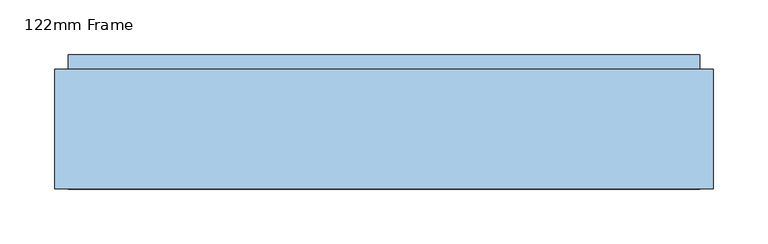
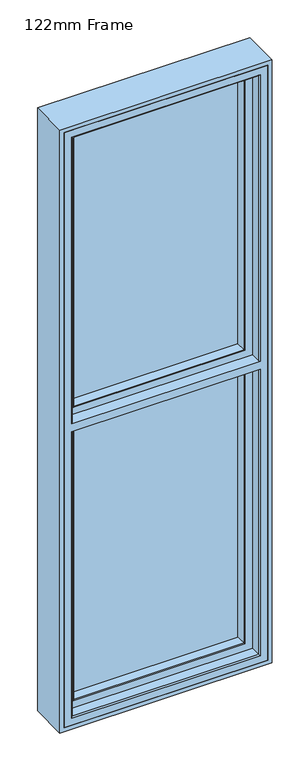
"""IFC4 building model written with IfcOpenShell, lengths in millimetres: window geometry, 122mm Frame."""

from ifc_helpers import new_model, si_unit, frame, origin, place, context, project, spatial, polyline, circle_curve, ellipse_curve, outline, extrude, source, transform, mapped, element, save
from ifc_brep_helpers import plane_surface, cylinder_surface, advanced_brep


def window_122mm_frame_768f517a(model_context):
    return source(origin(), model_context, "Body", "SolidModel", [
        extrude(outline(polyline([(-252.6, 141.0), (252.6, 141.0), (252.6, 93.0), (-252.6, 93.0), (-252.6, 141.0)])), frame((0.0, 0.0, 847.4), z_axis=(0.0, 0.0, 1.0), x_axis=(1.0, 0.0, 0.0)), (0.0, 0.0, 1.0), 828.6),
        advanced_brep(
        [(-237.8697056, 91.0, 1662.2697056), (-240.9078547, 66.2562613, 1665.3078547), (-240.9078547, 66.2562613, 859.0921453), (-237.8697056, 91.0, 862.1302944), (-242.892947, 64.5, 1667.292947), (-242.892947, 64.5, 857.107053), (240.9078547, 66.2562613, 859.0921453), (237.8697056, 91.0, 862.1302944), (-261.5, 91.0, 1685.9), (261.5, 91.0, 1685.9), (261.5, 91.0, 838.5), (-261.5, 91.0, 838.5), (237.8697056, 91.0, 1662.2697056), (-261.5, 82.0, 1685.9), (-261.5, 82.0, 838.5), (261.5, 82.0, 838.5), (-264.0, 82.0, 1688.4), (264.0, 82.0, 1688.4), (264.0, 82.0, 836.0), (-264.0, 82.0, 836.0), (261.5, 82.0, 1685.9), (-264.0, 64.5, 1688.4), (-264.0, 64.5, 836.0), (264.0, 64.5, 836.0), (264.0, 64.5, 1688.4), (242.892947, 64.5, 1667.292947), (242.892947, 64.5, 857.107053), (240.9078547, 66.2562613, 1665.3078547)],
        [
            (0, 1),
            (1, 2),
            (2, 3),
            (3, 0),
            (1, 4, ellipse_curve(frame((-242.892947, 66.5, 1667.292947), z_axis=(-0.7071067811865475, 0.0, -0.7071067811865475), x_axis=(-0.7071067811865474, 0.0, 0.7071067811865476)), 2.8284271, 2.0)),
            (4, 5),
            (5, 2, ellipse_curve(frame((-242.892947, 66.5, 857.107053), z_axis=(-0.7071067811865475, 0.0, 0.7071067811865475), x_axis=(0.7071067811865474, 0.0, 0.7071067811865476)), 2.8284271, 2.0)),
            (2, 6),
            (6, 7),
            (7, 3),
            (8, 9),
            (9, 10),
            (10, 11),
            (11, 8),
            (7, 12),
            (12, 0),
            (13, 8),
            (11, 14),
            (14, 13),
            (10, 15),
            (15, 14),
            (16, 17),
            (17, 18),
            (18, 19),
            (19, 16),
            (15, 20),
            (20, 13),
            (21, 16),
            (19, 22),
            (22, 21),
            (18, 23),
            (23, 22),
            (23, 24),
            (24, 21),
            (4, 25),
            (25, 26),
            (26, 5),
            (26, 6, ellipse_curve(frame((242.892947, 66.5, 857.107053), z_axis=(-0.7071067811865475, 0.0, -0.7071067811865475), x_axis=(-0.7071067811865476, 0.0, 0.7071067811865474)), 2.8284271, 2.0)),
            (6, 27),
            (27, 12),
            (9, 20),
            (17, 24),
            (25, 27, ellipse_curve(frame((242.892947, 66.5, 1667.292947), z_axis=(0.7071067811865475, 0.0, -0.7071067811865475), x_axis=(-0.7071067811865474, 0.0, -0.7071067811865476)), 2.8284271, 2.0)),
            (27, 1),
        ],
        [
            plane_surface(frame((-240.9078547, 66.2562613, 1665.3078547), z_axis=(0.9925461516413219, -0.12186934340514886, 0.0), x_axis=(0.0, 0.0, -1.0))),
            cylinder_surface(frame((-242.892947, 66.5, 1662.0), z_axis=(0.0, 0.0, 1.0), x_axis=(0.0, 1.0, 0.0)), 2.0),
            plane_surface(frame((-240.9078547, 66.2562613, 859.0921453), z_axis=(0.0, -0.12186934340514886, 0.9925461516413219), x_axis=(1.0, 0.0, 0.0))),
            plane_surface(frame((237.8697056, 91.0, 1662.2697056), z_axis=(0.0, 1.0, 0.0), x_axis=(-1.0, 0.0, 0.0))),
            plane_surface(frame((-261.5, 91.0, 1685.9), z_axis=(-1.0, 0.0, 0.0), x_axis=(0.0, 0.0, -1.0))),
            plane_surface(frame((-261.5, 91.0, 838.5), z_axis=(0.0, 0.0, -1.0), x_axis=(1.0, 0.0, 0.0))),
            plane_surface(frame((261.5, 82.0, 1685.9), z_axis=(0.0, 1.0, 0.0), x_axis=(-1.0, 0.0, 0.0))),
            plane_surface(frame((-264.0, 82.0, 1688.4), z_axis=(-1.0, 0.0, 0.0), x_axis=(0.0, 0.0, -1.0))),
            plane_surface(frame((-264.0, 82.0, 836.0), z_axis=(0.0, 0.0, -1.0), x_axis=(1.0, 0.0, 0.0))),
            plane_surface(frame((264.0, 64.5, 1688.4), z_axis=(0.0, -1.0, 0.0), x_axis=(-1.0, 0.0, 0.0))),
            cylinder_surface(frame((-237.6, 66.5, 857.107053), z_axis=(-1.0, 0.0, 0.0), x_axis=(0.0, 1.0, 0.0)), 2.0),
            plane_surface(frame((240.9078547, 66.2562613, 859.0921453), z_axis=(-0.9925461516413219, -0.12186934340514886, 0.0), x_axis=(0.0, 0.0, 1.0))),
            plane_surface(frame((261.5, 91.0, 838.5), z_axis=(1.0, 0.0, 0.0), x_axis=(0.0, 0.0, 1.0))),
            plane_surface(frame((264.0, 82.0, 836.0), z_axis=(1.0, 0.0, 0.0), x_axis=(0.0, 0.0, 1.0))),
            cylinder_surface(frame((242.892947, 66.5, 862.4), z_axis=(0.0, 0.0, -1.0), x_axis=(0.0, 1.0, 0.0)), 2.0),
            plane_surface(frame((240.9078547, 66.2562613, 1665.3078547), z_axis=(0.0, -0.12186934340514886, -0.9925461516413219), x_axis=(-1.0, 0.0, 0.0))),
            plane_surface(frame((261.5, 91.0, 1685.9), z_axis=(0.0, 0.0, 1.0), x_axis=(-1.0, 0.0, 0.0))),
            plane_surface(frame((264.0, 82.0, 1688.4), z_axis=(0.0, 0.0, 1.0), x_axis=(-1.0, 0.0, 0.0))),
            cylinder_surface(frame((237.6, 66.5, 1667.292947), z_axis=(1.0, 0.0, 0.0), x_axis=(0.0, 1.0, 0.0)), 2.0),
        ],
        [
            (0, [[1, 2, 3, 4]]),
            (1, [[5, 6, 7, -2]]),
            (2, [[-3, 8, 9, 10]]),
            (3, [[11, 12, 13, 14], [-10, 15, 16, -4]]),
            (4, [[17, -14, 18, 19]]),
            (5, [[-18, -13, 20, 21]]),
            (6, [[22, 23, 24, 25], [-21, 26, 27, -19]]),
            (7, [[28, -25, 29, 30]]),
            (8, [[-29, -24, 31, 32]]),
            (9, [[-32, 33, 34, -30], [35, 36, 37, -6]]),
            (10, [[-7, -37, 38, -8]]),
            (11, [[-9, 39, 40, -15]]),
            (12, [[-20, -12, 41, -26]]),
            (13, [[-31, -23, 42, -33]]),
            (14, [[-38, -36, 43, -39]]),
            (15, [[-40, 44, -1, -16]]),
            (16, [[-41, -11, -17, -27]]),
            (17, [[-42, -22, -28, -34]]),
            (18, [[-43, -35, -5, -44]]),
        ],
    ),
        advanced_brep(
        [(-288.0, 32.0, 2588.0), (-288.0, 86.5, 2588.0), (-288.0, 86.5, 1712.0), (-288.0, 90.5, 1712.0), (-288.0, 90.5, 2588.0), (-288.0, 154.0, 2588.0), (-288.0, 154.0, 812.0), (-288.0, 90.5, 812.0), (-288.0, 90.5, 1688.0), (-288.0, 86.5, 1688.0), (-288.0, 86.5, 812.0), (-288.0, 32.0, 812.0), (288.0, 154.0, 2588.0), (288.0, 154.0, 812.0), (241.2576108, 154.0, 1665.2576108), (-241.2576108, 154.0, 1665.2576108), (-241.2576108, 154.0, 858.7423892), (241.2576108, 154.0, 858.7423892), (-241.2576108, 154.0, 1734.7423892), (241.2576108, 154.0, 1734.7423892), (241.2576108, 154.0, 2541.2576108), (-241.2576108, 154.0, 2541.2576108), (288.0, 90.5, 812.0), (288.0, 90.5, 1688.0), (281.0, 90.5, 1688.0), (281.0, 90.5, 819.0), (-281.0, 90.5, 819.0), (-281.0, 90.5, 1688.0), (288.0, 90.5, 2588.0), (-281.0, 90.5, 1712.0), (-281.0, 90.5, 2581.0), (281.0, 90.5, 2581.0), (281.0, 90.5, 1712.0), (288.0, 90.5, 1712.0), (-281.0, 86.5, 819.0), (281.0, 86.5, 819.0), (281.0, 86.5, 1688.0), (288.0, 86.5, 1688.0), (288.0, 86.5, 812.0), (-281.0, 86.5, 1688.0), (281.0, 86.5, 2581.0), (-281.0, 86.5, 2581.0), (-281.0, 86.5, 1712.0), (288.0, 86.5, 2588.0), (288.0, 86.5, 1712.0), (281.0, 86.5, 1712.0), (288.0, 32.0, 812.0), (288.0, 32.0, 2588.0), (-267.0, 32.0, 1688.0), (267.0, 32.0, 1688.0), (267.0, 32.0, 833.0), (-267.0, 32.0, 833.0), (267.0, 32.0, 1712.0), (-267.0, 32.0, 1712.0), (-267.0, 32.0, 2567.0), (267.0, 32.0, 2567.0), (-262.2226568, 142.0, 837.7773432), (262.2226568, 142.0, 837.7773432), (262.2226568, 142.0, 1686.0620126), (-262.2226568, 142.0, 1686.0620126), (-238.0131086, 142.0, 1661.5888426), (238.0131086, 142.0, 1661.5888426), (238.0131086, 142.0, 861.9868914), (-238.0131086, 142.0, 861.9868914), (262.2226568, 142.0, 2562.2226568), (-262.2226568, 142.0, 2562.2226568), (-262.2226568, 142.0, 1713.9379874), (262.2226568, 142.0, 1713.9379874), (-238.0131086, 142.0, 2538.0131086), (238.0131086, 142.0, 2538.0131086), (238.0131086, 142.0, 1738.4111574), (-238.0131086, 142.0, 1738.4111574), (-255.7805994, 91.0, 844.2194006), (255.7805994, 91.0, 844.2194006), (255.7805994, 91.0, 1679.8), (255.7805994, 91.0, 2555.7805994), (255.7805994, 91.0, 1720.2), (-255.7805994, 91.0, 1679.8), (-255.7805994, 91.0, 2555.7805994), (-255.7805994, 91.0, 1720.2), (238.0131086, 143.3877115, 861.9868914), (238.0131086, 143.3877115, 1662.0131086), (238.0131086, 143.3877115, 2538.0131086), (238.0131086, 143.3877115, 1737.9868914), (-238.0131086, 143.3877115, 861.9868914), (-238.0131086, 143.3877115, 1662.0131086), (-238.0131086, 143.3877115, 2538.0131086), (-238.0131086, 143.3877115, 1737.9868914), (-262.0, 91.0, 838.0), (262.0, 91.0, 838.0), (262.0, 91.0, 1688.0), (-262.0, 91.0, 1688.0), (262.0, 91.0, 2562.0), (-262.0, 91.0, 2562.0), (-262.0, 91.0, 1712.0), (262.0, 91.0, 1712.0), (-262.0, 83.0, 838.0), (262.0, 83.0, 838.0), (262.0, 83.0, 1688.0), (262.0, 83.0, 2562.0), (262.0, 83.0, 1712.0), (-262.0, 83.0, 1688.0), (-262.0, 83.0, 2562.0), (-262.0, 83.0, 1712.0), (264.0, 35.0, 836.0), (264.0, 35.0, 1688.0), (264.0, 35.0, 2564.0), (264.0, 35.0, 1712.0), (-264.0, 35.0, 836.0), (-264.0, 35.0, 1688.0), (-264.0, 35.0, 2564.0), (-264.0, 35.0, 1712.0), (-264.0, 83.0, 836.0), (-264.0, 83.0, 1688.0), (-264.0, 83.0, 2564.0), (-264.0, 83.0, 1712.0), (264.0, 83.0, 836.0), (264.0, 83.0, 1688.0), (264.0, 83.0, 2564.0), (264.0, 83.0, 1712.0)],
        [
            (0, 1),
            (1, 2),
            (2, 3),
            (3, 4),
            (4, 5),
            (5, 6),
            (6, 7),
            (7, 8),
            (8, 9),
            (9, 10),
            (10, 11),
            (11, 0),
            (5, 12),
            (12, 13),
            (13, 6),
            (14, 15),
            (15, 16),
            (16, 17),
            (17, 14),
            (18, 19),
            (19, 20),
            (20, 21),
            (21, 18),
            (13, 22),
            (22, 7),
            (22, 23),
            (23, 24),
            (24, 25),
            (25, 26),
            (26, 27),
            (27, 8),
            (28, 4),
            (3, 29),
            (29, 30),
            (30, 31),
            (31, 32),
            (32, 33),
            (33, 28),
            (34, 35),
            (35, 36),
            (36, 37),
            (37, 38),
            (38, 10),
            (9, 39),
            (39, 34),
            (40, 41),
            (41, 42),
            (42, 2),
            (1, 43),
            (43, 44),
            (44, 45),
            (45, 40),
            (46, 11),
            (38, 46),
            (46, 47),
            (47, 0),
            (48, 49),
            (49, 50),
            (50, 51),
            (51, 48),
            (52, 53),
            (53, 54),
            (54, 55),
            (55, 52),
            (12, 28),
            (33, 44),
            (43, 47),
            (37, 23),
            (56, 57),
            (57, 58),
            (58, 59),
            (59, 56),
            (60, 61),
            (61, 62),
            (62, 63),
            (63, 60),
            (64, 65),
            (65, 66),
            (66, 67),
            (67, 64),
            (68, 69),
            (69, 70),
            (70, 71),
            (71, 68),
            (56, 72),
            (72, 73),
            (73, 57),
            (73, 74),
            (74, 58),
            (75, 64),
            (67, 76),
            (76, 75),
            (59, 77),
            (77, 72),
            (65, 78),
            (78, 79),
            (79, 66),
            (80, 62),
            (61, 81),
            (81, 80),
            (69, 82),
            (82, 83),
            (83, 70),
            (84, 63),
            (80, 84),
            (84, 85),
            (85, 60),
            (86, 68),
            (71, 87),
            (87, 86),
            (88, 89),
            (89, 90),
            (90, 91),
            (91, 88),
            (77, 74),
            (92, 93),
            (93, 94),
            (94, 95),
            (95, 92),
            (76, 79),
            (78, 75),
            (88, 96),
            (96, 97),
            (97, 89),
            (97, 98),
            (98, 90),
            (99, 92),
            (95, 100),
            (100, 99),
            (91, 101),
            (101, 96),
            (93, 102),
            (102, 103),
            (103, 94),
            (104, 50, ellipse_curve(frame((267.0, 35.0, 833.0), z_axis=(0.7071067811865475, 0.0, 0.7071067811865475), x_axis=(0.7071067811865474, 0.0, -0.7071067811865476)), 4.2426407, 3.0)),
            (49, 105, circle_curve(frame((267.0, 35.0, 1688.0), z_axis=(0.0, 0.0, -1.0), x_axis=(0.0, 1.0, 0.0)), 3.0)),
            (105, 104),
            (55, 106, ellipse_curve(frame((267.0, 35.0, 2567.0), z_axis=(0.7071067811865475, 0.0, -0.7071067811865475), x_axis=(-0.7071067811865474, 0.0, -0.7071067811865476)), 4.2426407, 3.0)),
            (106, 107),
            (107, 52, circle_curve(frame((267.0, 35.0, 1712.0), z_axis=(0.0, 0.0, 1.0), x_axis=(0.0, 1.0, 0.0)), 3.0)),
            (104, 108),
            (108, 51, ellipse_curve(frame((-267.0, 35.0, 833.0), z_axis=(0.7071067811865475, 0.0, -0.7071067811865475), x_axis=(-0.7071067811865476, 0.0, -0.7071067811865474)), 4.2426407, 3.0)),
            (108, 109),
            (109, 48, circle_curve(frame((-267.0, 35.0, 1688.0), z_axis=(0.0, 0.0, -1.0), x_axis=(0.0, 1.0, 0.0)), 3.0)),
            (110, 54, ellipse_curve(frame((-267.0, 35.0, 2567.0), z_axis=(-0.7071067811865475, 0.0, -0.7071067811865475), x_axis=(-0.7071067811865474, 0.0, 0.7071067811865476)), 4.2426407, 3.0)),
            (53, 111, circle_curve(frame((-267.0, 35.0, 1712.0), z_axis=(0.0, 0.0, 1.0), x_axis=(0.0, 1.0, 0.0)), 3.0)),
            (111, 110),
            (84, 16),
            (15, 85),
            (21, 86),
            (87, 18),
            (80, 17),
            (81, 14),
            (82, 20),
            (19, 83),
            (108, 112),
            (112, 113),
            (113, 109),
            (114, 110),
            (111, 115),
            (115, 114),
            (104, 116),
            (116, 112),
            (116, 117),
            (117, 98),
            (101, 113),
            (118, 114),
            (115, 103),
            (102, 99),
            (100, 119),
            (119, 118),
            (105, 117),
            (106, 118),
            (119, 107),
            (26, 34),
            (39, 27),
            (41, 30),
            (29, 42),
            (25, 35),
            (24, 36),
            (31, 40),
            (45, 32),
            (86, 82),
            (110, 106),
        ],
        [
            plane_surface(frame((-288.0, 154.0, 1665.2576108), z_axis=(-1.0, 0.0, 0.0), x_axis=(0.0, -0.9563047559631892, -0.292371704722234))),
            plane_surface(frame((-288.0, 154.0, 1734.7423892), z_axis=(0.0, 1.0, 0.0), x_axis=(1.0, 0.0, 0.0))),
            plane_surface(frame((-288.0, 154.0, 812.0), z_axis=(0.0, 0.0, -1.0), x_axis=(1.0, 0.0, 0.0))),
            plane_surface(frame((288.0, 90.5, 2588.0), z_axis=(0.0, -1.0, 0.0), x_axis=(-1.0, 0.0, 0.0))),
            plane_surface(frame((281.0, 86.5, 2581.0), z_axis=(0.0, 1.0, 0.0), x_axis=(-1.0, 0.0, 0.0))),
            plane_surface(frame((-288.0, 86.5, 812.0), z_axis=(0.0, 0.0, -1.0), x_axis=(1.0, 0.0, 0.0))),
            plane_surface(frame((-288.0, 32.0, 1688.0), z_axis=(0.0, -1.0, 0.0), x_axis=(1.0, 0.0, 0.0))),
            plane_surface(frame((288.0, 154.0, 1665.2576108), z_axis=(1.0, 0.0, 0.0), x_axis=(0.0, 0.9563047559631892, 0.292371704722234))),
            plane_surface(frame((-288.0, 142.0, 1661.5888426), z_axis=(0.0, -1.0, 0.0), x_axis=(1.0, 0.0, 0.0))),
            plane_surface(frame((-255.7805994, 91.0, 844.2194006), z_axis=(0.0, 0.12531904619186096, 0.9921164934933611), x_axis=(1.0, 0.0, 0.0))),
            plane_surface(frame((255.7805994, 91.0, 844.2194006), z_axis=(-0.9921164934933611, 0.12531904619186096, 0.0), x_axis=(0.0, 0.0, 1.0))),
            plane_surface(frame((-255.7805994, 91.0, 2555.7805994), z_axis=(0.9921164934933611, 0.12531904619186096, 0.0), x_axis=(0.0, 0.0, -1.0))),
            plane_surface(frame((238.0131086, 142.0, 861.9868914), z_axis=(-1.0, 0.0, 0.0), x_axis=(0.0, 0.0, 1.0))),
            plane_surface(frame((-238.0131086, 142.0, 861.9868914), z_axis=(0.0, 0.0, 1.0), x_axis=(1.0, 0.0, 0.0))),
            plane_surface(frame((-238.0131086, 142.0, 2538.0131086), z_axis=(1.0, 0.0, 0.0), x_axis=(0.0, 0.0, -1.0))),
            plane_surface(frame((-288.0, 91.0, 1679.8), z_axis=(0.0, -1.0, 0.0), x_axis=(1.0, 0.0, 0.0))),
            plane_surface(frame((-262.0, 83.0, 838.0), z_axis=(0.0, 0.0, 1.0), x_axis=(1.0, 0.0, 0.0))),
            plane_surface(frame((262.0, 83.0, 838.0), z_axis=(-1.0, 0.0, 0.0), x_axis=(0.0, 0.0, 1.0))),
            plane_surface(frame((-262.0, 83.0, 2562.0), z_axis=(1.0, 0.0, 0.0), x_axis=(0.0, 0.0, -1.0))),
            cylinder_surface(frame((267.0, 35.0, 812.0), z_axis=(0.0, 0.0, -1.0), x_axis=(0.0, 1.0, 0.0)), 3.0),
            cylinder_surface(frame((-288.0, 35.0, 833.0), z_axis=(-1.0, 0.0, 0.0), x_axis=(0.0, 1.0, 0.0)), 3.0),
            cylinder_surface(frame((-267.0, 35.0, 2588.0), z_axis=(0.0, 0.0, 1.0), x_axis=(0.0, 1.0, 0.0)), 3.0),
            plane_surface(frame((-238.0131086, 143.3877115, 2538.0131086), z_axis=(0.9563047559629333, 0.2923717047230709, 0.0), x_axis=(0.0, 0.0, -1.0))),
            plane_surface(frame((-238.0131086, 143.3877115, 861.9868914), z_axis=(0.0, 0.2923717047230709, 0.9563047559629333), x_axis=(1.0, 0.0, 0.0))),
            plane_surface(frame((238.0131086, 143.3877115, 861.9868914), z_axis=(-0.9563047559629333, 0.2923717047230709, 0.0), x_axis=(0.0, 0.0, 1.0))),
            plane_surface(frame((-264.0, 35.0, 2564.0), z_axis=(1.0, 0.0, 0.0), x_axis=(0.0, 0.0, -1.0))),
            plane_surface(frame((-264.0, 35.0, 836.0), z_axis=(0.0, 0.0, 1.0), x_axis=(1.0, 0.0, 0.0))),
            plane_surface(frame((264.0, 83.0, 2564.0), z_axis=(0.0, -1.0, 0.0), x_axis=(-1.0, 0.0, 0.0))),
            plane_surface(frame((264.0, 35.0, 836.0), z_axis=(-1.0, 0.0, 0.0), x_axis=(0.0, 0.0, 1.0))),
            plane_surface(frame((-281.0, 90.5, 2581.0), z_axis=(-1.0, 0.0, 0.0), x_axis=(0.0, 0.0, -1.0))),
            plane_surface(frame((-281.0, 90.5, 819.0), z_axis=(0.0, 0.0, -1.0), x_axis=(1.0, 0.0, 0.0))),
            plane_surface(frame((281.0, 90.5, 819.0), z_axis=(1.0, 0.0, 0.0), x_axis=(0.0, 0.0, 1.0))),
            plane_surface(frame((288.0, 86.5, 2588.0), z_axis=(0.0, 0.0, 1.0), x_axis=(-1.0, 0.0, 0.0))),
            plane_surface(frame((288.0, 154.0, 2588.0), z_axis=(0.0, 0.0, 1.0), x_axis=(-1.0, 0.0, 0.0))),
            plane_surface(frame((238.0131086, 142.0, 2538.0131086), z_axis=(0.0, 0.0, -1.0), x_axis=(-1.0, 0.0, 0.0))),
            plane_surface(frame((255.7805994, 91.0, 2555.7805994), z_axis=(0.0, 0.12531904619186096, -0.9921164934933611), x_axis=(-1.0, 0.0, 0.0))),
            plane_surface(frame((262.0, 83.0, 2562.0), z_axis=(0.0, 0.0, -1.0), x_axis=(-1.0, 0.0, 0.0))),
            cylinder_surface(frame((288.0, 35.0, 2567.0), z_axis=(1.0, 0.0, 0.0), x_axis=(0.0, 1.0, 0.0)), 3.0),
            plane_surface(frame((238.0131086, 143.3877115, 2538.0131086), z_axis=(0.0, 0.2923717047230709, -0.9563047559629333), x_axis=(-1.0, 0.0, 0.0))),
            plane_surface(frame((264.0, 35.0, 2564.0), z_axis=(0.0, 0.0, -1.0), x_axis=(-1.0, 0.0, 0.0))),
            plane_surface(frame((281.0, 90.5, 2581.0), z_axis=(0.0, 0.0, 1.0), x_axis=(-1.0, 0.0, 0.0))),
            plane_surface(frame((-288.0, 154.0, 1665.2576108), z_axis=(0.0, 0.292371704722234, -0.9563047559631892), x_axis=(1.0, 0.0, 0.0))),
            plane_surface(frame((-288.0, 142.0, 1686.0620126), z_axis=(0.0, 0.12186934340522143, -0.992546151641313), x_axis=(1.0, 0.0, 0.0))),
            plane_surface(frame((-288.0, 91.0, 1688.0), z_axis=(0.0, 0.0, -1.0), x_axis=(1.0, 0.0, 0.0))),
            plane_surface(frame((-288.0, 32.0, 1712.0), z_axis=(0.0, 0.0, 1.0), x_axis=(1.0, 0.0, 0.0))),
            plane_surface(frame((-288.0, 91.0, 1720.2), z_axis=(0.0, 0.12186934340527229, 0.9925461516413068), x_axis=(1.0, 0.0, 0.0))),
            plane_surface(frame((-288.0, 142.0, 1738.4111574), z_axis=(0.0, 0.2923717047222423, 0.9563047559631866), x_axis=(1.0, 0.0, 0.0))),
        ],
        [
            (0, [[1, 2, 3, 4, 5, 6, 7, 8, 9, 10, 11, 12]]),
            (1, [[-6, 13, 14, 15], [16, 17, 18, 19], [20, 21, 22, 23]]),
            (2, [[-7, -15, 24, 25]]),
            (3, [[-25, 26, 27, 28, 29, 30, 31, -8]]),
            (3, [[32, -4, 33, 34, 35, 36, 37, 38]]),
            (4, [[39, 40, 41, 42, 43, -10, 44, 45]]),
            (4, [[46, 47, 48, -2, 49, 50, 51, 52]]),
            (5, [[53, -11, -43, 54]]),
            (6, [[-12, -53, 55, 56], [57, 58, 59, 60], [61, 62, 63, 64]]),
            (7, [[65, -38, 66, -50, 67, -55, -54, -42, 68, -26, -24, -14]]),
            (8, [[69, 70, 71, 72], [73, 74, 75, 76]]),
            (8, [[77, 78, 79, 80], [81, 82, 83, 84]]),
            (9, [[-69, 85, 86, 87]]),
            (10, [[-70, -87, 88, 89]]),
            (10, [[90, -80, 91, 92]]),
            (11, [[-85, -72, 93, 94]]),
            (11, [[-78, 95, 96, 97]]),
            (12, [[98, -74, 99, 100]]),
            (12, [[101, 102, 103, -82]]),
            (13, [[104, -75, -98, 105]]),
            (14, [[-104, 106, 107, -76]]),
            (14, [[108, -84, 109, 110]]),
            (15, [[111, 112, 113, 114], [115, -88, -86, -94]]),
            (15, [[116, 117, 118, 119], [-92, 120, -96, 121]]),
            (16, [[122, 123, 124, -111]]),
            (17, [[-112, -124, 125, 126]]),
            (17, [[127, -119, 128, 129]]),
            (18, [[-122, -114, 130, 131]]),
            (18, [[-117, 132, 133, 134]]),
            (19, [[135, -58, 136, 137]]),
            (19, [[138, 139, 140, -64]]),
            (20, [[141, 142, -59, -135]]),
            (21, [[-142, 143, 144, -60]]),
            (21, [[145, -62, 146, 147]]),
            (22, [[148, -17, 149, -106]]),
            (22, [[150, -110, 151, -23]]),
            (23, [[-148, -105, 152, -18]]),
            (24, [[-152, -100, 153, -19]]),
            (24, [[154, -21, 155, -102]]),
            (25, [[156, 157, 158, -143]]),
            (25, [[159, -147, 160, 161]]),
            (26, [[-156, -141, 162, 163]]),
            (27, [[-163, 164, 165, -125, -123, -131, 166, -157]]),
            (27, [[167, -161, 168, -133, 169, -129, 170, 171]]),
            (28, [[-162, -137, 172, -164]]),
            (28, [[173, -171, 174, -139]]),
            (29, [[175, -45, 176, -30]]),
            (29, [[177, -34, 178, -47]]),
            (30, [[-175, -29, 179, -39]]),
            (31, [[-179, -28, 180, -40]]),
            (31, [[181, -52, 182, -36]]),
            (32, [[-56, -67, -49, -1]]),
            (33, [[-5, -32, -65, -13]]),
            (34, [[-108, 183, -101, -81]]),
            (35, [[-77, -90, -121, -95]]),
            (36, [[-132, -116, -127, -169]]),
            (37, [[184, -138, -63, -145]]),
            (38, [[-150, -22, -154, -183]]),
            (39, [[-159, -167, -173, -184]]),
            (40, [[-177, -46, -181, -35]]),
            (41, [[-16, -153, -99, -73, -107, -149]]),
            (42, [[-71, -89, -115, -93]]),
            (43, [[-9, -31, -176, -44]]),
            (43, [[-68, -41, -180, -27]]),
            (43, [[-113, -126, -165, -172, -136, -57, -144, -158, -166, -130]]),
            (44, [[-3, -48, -178, -33]]),
            (44, [[-66, -37, -182, -51]]),
            (44, [[-61, -140, -174, -170, -128, -118, -134, -168, -160, -146]]),
            (45, [[-120, -91, -79, -97]]),
            (46, [[-83, -103, -155, -20, -151, -109]]),
        ],
    ),
        extrude(outline(polyline([(2600.0, -300.0), (800.0, -300.0), (800.0, 300.0), (2600.0, 300.0), (2600.0, -300.0)]), holes=[polyline([(2588.0, 288.0), (812.0, 288.0), (812.0, -288.0), (2588.0, -288.0), (2588.0, 288.0)])]), frame((0.0, 32.0, 0.0), z_axis=(0.0, 1.0, 0.0), x_axis=(0.0, 0.0, 1.0)), (0.0, 0.0, 1.0), 109.0),
        extrude(outline(polyline([(-252.6, 141.0), (252.6, 141.0), (252.6, 93.0), (-252.6, 93.0), (-252.6, 141.0)])), frame((0.0, 0.0, 1724.0), z_axis=(0.0, 0.0, 1.0), x_axis=(1.0, 0.0, 0.0)), (0.0, 0.0, 1.0), 828.6),
        advanced_brep(
        [(237.8697056, 91.0, 2537.8697056), (240.9078547, 66.2562613, 2540.9078547), (-240.9078547, 66.2562613, 2540.9078547), (-237.8697056, 91.0, 2537.8697056), (-240.9078547, 66.2562613, 1734.6921453), (-237.8697056, 91.0, 1737.7302944), (-242.892947, 64.5, 2542.892947), (-242.892947, 64.5, 1732.707053), (-261.5, 91.0, 2561.5), (261.5, 91.0, 2561.5), (261.5, 91.0, 1714.1), (-261.5, 91.0, 1714.1), (237.8697056, 91.0, 1737.7302944), (261.5, 82.0, 2561.5), (-261.5, 82.0, 2561.5), (-261.5, 82.0, 1714.1), (-264.0, 82.0, 2564.0), (264.0, 82.0, 2564.0), (264.0, 82.0, 1711.6), (-264.0, 82.0, 1711.6), (261.5, 82.0, 1714.1), (264.0, 64.5, 2564.0), (-264.0, 64.5, 2564.0), (-264.0, 64.5, 1711.6), (264.0, 64.5, 1711.6), (242.892947, 64.5, 2542.892947), (242.892947, 64.5, 1732.707053), (240.9078547, 66.2562613, 1734.6921453)],
        [
            (0, 1),
            (1, 2),
            (2, 3),
            (3, 0),
            (2, 4),
            (4, 5),
            (5, 3),
            (2, 6, ellipse_curve(frame((-242.892947, 66.5, 2542.892947), z_axis=(-0.7071067811865475, 0.0, -0.7071067811865475), x_axis=(-0.7071067811865474, 0.0, 0.7071067811865476)), 2.8284271, 2.0)),
            (6, 7),
            (7, 4, ellipse_curve(frame((-242.892947, 66.5, 1732.707053), z_axis=(-0.7071067811865475, 0.0, 0.7071067811865475), x_axis=(0.7071067811865474, 0.0, 0.7071067811865476)), 2.8284271, 2.0)),
            (8, 9),
            (9, 10),
            (10, 11),
            (11, 8),
            (5, 12),
            (12, 0),
            (13, 9),
            (8, 14),
            (14, 13),
            (11, 15),
            (15, 14),
            (16, 17),
            (17, 18),
            (18, 19),
            (19, 16),
            (15, 20),
            (20, 13),
            (21, 17),
            (16, 22),
            (22, 21),
            (19, 23),
            (23, 22),
            (23, 24),
            (24, 21),
            (6, 25),
            (25, 26),
            (26, 7),
            (1, 25, ellipse_curve(frame((242.892947, 66.5, 2542.892947), z_axis=(-0.7071067811865475, 0.0, 0.7071067811865475), x_axis=(0.7071067811865476, 0.0, 0.7071067811865474)), 2.8284271, 2.0)),
            (12, 27),
            (27, 1),
            (27, 26, ellipse_curve(frame((242.892947, 66.5, 1732.707053), z_axis=(0.7071067811865475, 0.0, 0.7071067811865475), x_axis=(0.7071067811865474, 0.0, -0.7071067811865476)), 2.8284271, 2.0)),
            (20, 10),
            (24, 18),
            (4, 27),
        ],
        [
            plane_surface(frame((240.9078547, 66.2562613, 2540.9078547), z_axis=(0.0, -0.12186934340514886, -0.9925461516413219), x_axis=(-1.0, 0.0, 0.0))),
            plane_surface(frame((-240.9078547, 66.2562613, 2540.9078547), z_axis=(0.9925461516413219, -0.12186934340514886, 0.0), x_axis=(0.0, 0.0, -1.0))),
            cylinder_surface(frame((-242.892947, 66.5, 2537.6), z_axis=(0.0, 0.0, 1.0), x_axis=(0.0, 1.0, 0.0)), 2.0),
            plane_surface(frame((237.8697056, 91.0, 2537.8697056), z_axis=(0.0, 1.0, 0.0), x_axis=(-1.0, 0.0, 0.0))),
            plane_surface(frame((261.5, 91.0, 2561.5), z_axis=(0.0, 0.0, 1.0), x_axis=(-1.0, 0.0, 0.0))),
            plane_surface(frame((-261.5, 91.0, 2561.5), z_axis=(-1.0, 0.0, 0.0), x_axis=(0.0, 0.0, -1.0))),
            plane_surface(frame((261.5, 82.0, 2561.5), z_axis=(0.0, 1.0, 0.0), x_axis=(-1.0, 0.0, 0.0))),
            plane_surface(frame((264.0, 82.0, 2564.0), z_axis=(0.0, 0.0, 1.0), x_axis=(-1.0, 0.0, 0.0))),
            plane_surface(frame((-264.0, 82.0, 2564.0), z_axis=(-1.0, 0.0, 0.0), x_axis=(0.0, 0.0, -1.0))),
            plane_surface(frame((264.0, 64.5, 2564.0), z_axis=(0.0, -1.0, 0.0), x_axis=(-1.0, 0.0, 0.0))),
            cylinder_surface(frame((237.6, 66.5, 2542.892947), z_axis=(1.0, 0.0, 0.0), x_axis=(0.0, 1.0, 0.0)), 2.0),
            plane_surface(frame((240.9078547, 66.2562613, 1734.6921453), z_axis=(-0.9925461516413219, -0.12186934340514886, 0.0), x_axis=(0.0, 0.0, 1.0))),
            cylinder_surface(frame((242.892947, 66.5, 1738.0), z_axis=(0.0, 0.0, -1.0), x_axis=(0.0, 1.0, 0.0)), 2.0),
            plane_surface(frame((261.5, 91.0, 1714.1), z_axis=(1.0, 0.0, 0.0), x_axis=(0.0, 0.0, 1.0))),
            plane_surface(frame((264.0, 82.0, 1711.6), z_axis=(1.0, 0.0, 0.0), x_axis=(0.0, 0.0, 1.0))),
            plane_surface(frame((-240.9078547, 66.2562613, 1734.6921453), z_axis=(0.0, -0.12186934340514886, 0.9925461516413219), x_axis=(1.0, 0.0, 0.0))),
            plane_surface(frame((-261.5, 91.0, 1714.1), z_axis=(0.0, 0.0, -1.0), x_axis=(1.0, 0.0, 0.0))),
            plane_surface(frame((-264.0, 82.0, 1711.6), z_axis=(0.0, 0.0, -1.0), x_axis=(1.0, 0.0, 0.0))),
            cylinder_surface(frame((-237.6, 66.5, 1732.707053), z_axis=(-1.0, 0.0, 0.0), x_axis=(0.0, 1.0, 0.0)), 2.0),
        ],
        [
            (0, [[1, 2, 3, 4]]),
            (1, [[-3, 5, 6, 7]]),
            (2, [[8, 9, 10, -5]]),
            (3, [[11, 12, 13, 14], [15, 16, -4, -7]]),
            (4, [[17, -11, 18, 19]]),
            (5, [[-18, -14, 20, 21]]),
            (6, [[22, 23, 24, 25], [26, 27, -19, -21]]),
            (7, [[28, -22, 29, 30]]),
            (8, [[-29, -25, 31, 32]]),
            (9, [[33, 34, -30, -32], [35, 36, 37, -9]]),
            (10, [[38, -35, -8, -2]]),
            (11, [[39, 40, -1, -16]]),
            (12, [[41, -36, -38, -40]]),
            (13, [[42, -12, -17, -27]]),
            (14, [[43, -23, -28, -34]]),
            (15, [[-6, 44, -39, -15]]),
            (16, [[-20, -13, -42, -26]]),
            (17, [[-31, -24, -43, -33]]),
            (18, [[-10, -37, -41, -44]]),
        ],
    ),
    ])


if __name__ == "__main__":
    model = new_model("IFC4")
    model_context = context("Model", 3, world=origin())
    ifc_project = project(units=[si_unit("LENGTHUNIT", "METRE", prefix="MILLI")], contexts=[model_context])
    site = spatial("IfcSite", under=ifc_project)
    building = spatial("IfcBuilding", under=site)
    placement = place(None, origin())
    window_122mm_frame_shape = window_122mm_frame_768f517a(model_context)
    element("IfcWindow", 1, ObjectType="122mm Frame", at=placement, inside=building, context=model_context, shape_type="MappedRepresentation", body=[
        mapped(window_122mm_frame_shape, transform((0.0, 0.0, 0.0), x_axis=(1.0, 0.0, 0.0), y_axis=(0.0, 1.0, 0.0), z_axis=(0.0, 0.0, 1.0))),
    ])
    save(model, "model.ifc")
